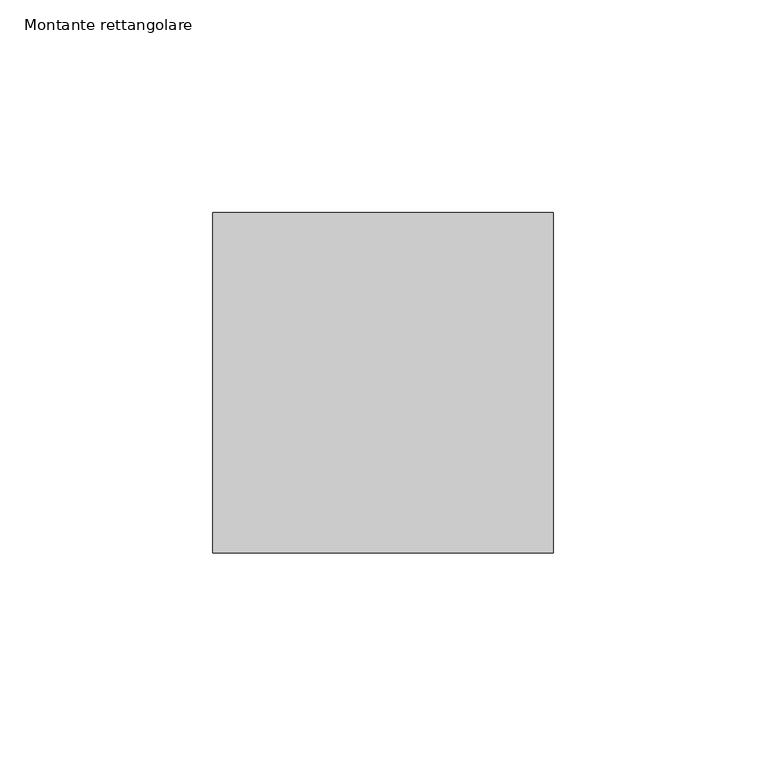
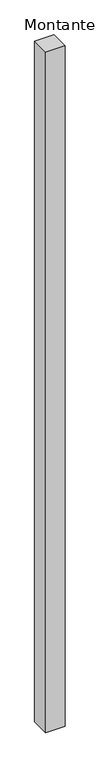
"""IFC4 building model written with IfcOpenShell, lengths in millimetres: member geometry, Montante rettangolare."""

from ifc_helpers import new_model, si_unit, frame, origin, place, context, project, spatial, polyline, outline, extrude, source, transform, mapped, element, save


def montante_rettangolare_4684d122(model_context):
    return source(origin(), model_context, "Body", "SweptSolid", [
        extrude(outline(polyline([(0.0, 40.0), (0.0, -40.0), (-80.0, -40.0), (-80.0, 40.0), (0.0, 40.0)])), frame((0.0, 0.0, -3000.9422884), z_axis=(0.0, 0.0, 1.0), x_axis=(1.0, 0.0, 0.0)), (0.0, 0.0, 1.0), 3000.9422884),
    ])


if __name__ == "__main__":
    model = new_model("IFC4")
    model_context = context("Model", 3, world=origin())
    ifc_project = project(units=[si_unit("LENGTHUNIT", "METRE", prefix="MILLI")], contexts=[model_context])
    site = spatial("IfcSite", under=ifc_project)
    building = spatial("IfcBuilding", under=site)
    placement = place(None, origin())
    montante_rettangolare_shape = montante_rettangolare_4684d122(model_context)
    element("IfcMember", 1, ObjectType="Montante rettangolare", at=placement, inside=building, context=model_context, shape_type="MappedRepresentation", body=[
        mapped(montante_rettangolare_shape, transform((0.0, 0.0, 0.0), x_axis=(1.0, 0.0, 0.0), y_axis=(0.0, 1.0, 0.0), z_axis=(0.0, 0.0, 1.0))),
    ])
    save(model, "model.ifc")
